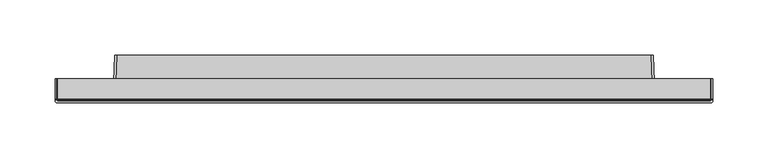
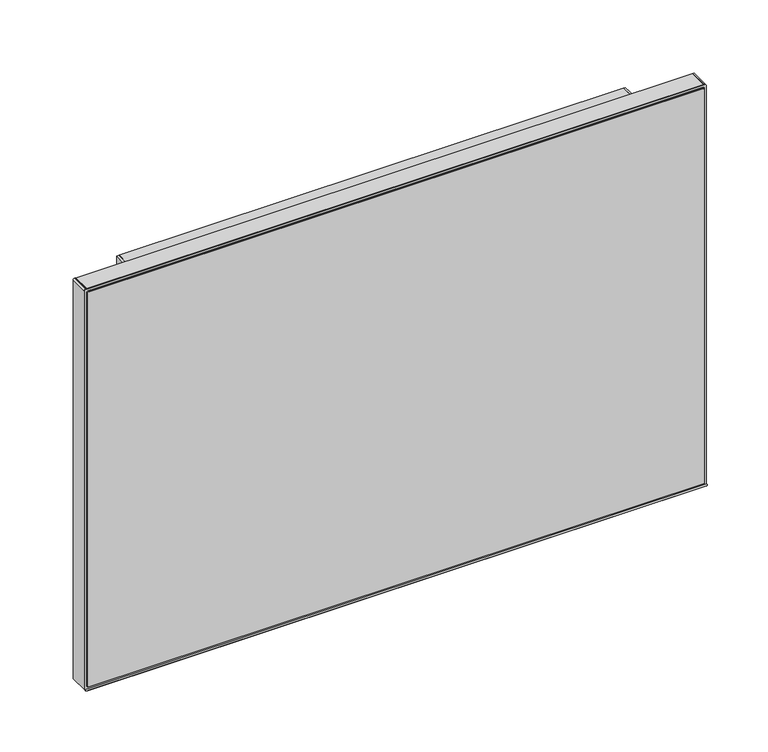
"""IFC4 building model written with IfcOpenShell, lengths in millimetres: furniture geometry."""

from ifc_helpers import new_model, si_unit, point, frame, frame_2d, origin, place, context, project, spatial, polyline, circle_curve, trimmed, segment, composite_curve, outline, extrude, source, transform, mapped, element, save


def furniture_baf85be2(model_context):
    return source(origin(), model_context, "Body", "SweptSolid", [
        extrude(outline(composite_curve([segment(polyline([(298.4500271, -19.2024), (298.4214717, -20.0180395)]), True, "CONTINUOUS"), segment(trimmed(circle_curve(frame_2d((296.9511112, -20.0180395)), 1.4703605), [point((298.4214717, -20.0180395))], [point((296.9511112, -21.4884))], False, "CARTESIAN"), True, "CONTINUOUS"), segment(polyline([(296.9511112, -21.4884), (-296.9511112, -21.4884)]), True, "CONTINUOUS"), segment(trimmed(circle_curve(frame_2d((-296.9511112, -20.0180395)), 1.4703605), [point((-296.9511112, -21.4884))], [point((-298.4214717, -20.0180395))], False, "CARTESIAN"), True, "CONTINUOUS"), segment(polyline([(-298.4214717, -20.0180395), (-298.4500271, -19.2024), (298.4500271, -19.2024)]), True, "CONTINUOUS")], self_intersect=False)), frame((0.0, 0.0, 965.2), z_axis=(0.0, 0.0, 1.0), x_axis=(1.0, 0.0, 0.0)), (0.0, 0.0, 1.0), 0.381),
        extrude(outline(polyline([(296.0370277, -18.1863993), (-296.0370277, -18.1863993), (-296.0370277, 0.0), (296.0370277, 0.0), (296.0370277, -18.1863993)])), frame((0.0, 0.0, 1368.8059932), z_axis=(0.0, 0.0, 1.0), x_axis=(1.0, 0.0, 0.0)), (0.0, 0.0, 1.0), 2.4130068),
        extrude(outline(composite_curve([segment(polyline([(965.2, -298.4500271), (965.2, -296.0370277), (1371.219, -296.0370277), (1371.219, -296.9269732)]), True, "CONTINUOUS"), segment(trimmed(circle_curve(frame_2d((1369.6959462, -296.9269732)), 1.5230538), [point((1371.219, -296.9269732))], [point((1369.6959462, -298.4500271))], False, "CARTESIAN"), True, "CONTINUOUS"), segment(polyline([(1369.6959462, -298.4500271), (965.2, -298.4500271)]), True, "CONTINUOUS")], self_intersect=False)), frame((0.0, -18.1863993, 0.0), z_axis=(0.0, 1.0, 0.0), x_axis=(0.0, 0.0, 1.0)), (0.0, 0.0, 1.0), 18.1863993),
        extrude(outline(composite_curve([segment(polyline([(965.2, 298.4500271), (1369.6959462, 298.4500271)]), True, "CONTINUOUS"), segment(trimmed(circle_curve(frame_2d((1369.6959462, 296.9269732)), 1.5230538), [point((1369.6959462, 298.4500271))], [point((1371.219, 296.9269732))], False, "CARTESIAN"), True, "CONTINUOUS"), segment(polyline([(1371.219, 296.9269732), (1371.219, 296.0370277), (965.2, 296.0370277), (965.2, 298.4500271)]), True, "CONTINUOUS")], self_intersect=False)), frame((0.0, -18.1863993, 0.0), z_axis=(0.0, 1.0, 0.0), x_axis=(0.0, 0.0, 1.0)), (0.0, 0.0, 1.0), 18.1863993),
        extrude(outline(composite_curve([segment(trimmed(circle_curve(frame_2d((-248.0872202, -2.4454407)), 5.3343178), [point((-248.0872202, -7.7797585))], [point((-243.7954857, -5.6133993))], True, "CARTESIAN"), True, "CONTINUOUS"), segment(polyline([(-243.7954857, -5.6133993), (243.7954857, -5.6133993)]), True, "CONTINUOUS"), segment(trimmed(circle_curve(frame_2d((248.0872202, -2.4454407)), 5.3343178), [point((243.7954857, -5.6133993))], [point((248.0872202, -7.7797585))], True, "CARTESIAN"), True, "CONTINUOUS"), segment(polyline([(248.0872202, -7.7797585), (-248.0872202, -7.7797585)]), True, "CONTINUOUS")], self_intersect=False)), frame((0.0, 0.0, 1290.3925745), z_axis=(0.0, 0.0, 1.0), x_axis=(1.0, 0.0, 0.0)), (0.0, 0.0, 1.0), 78.4134187),
        extrude(outline(composite_curve([segment(polyline([(-241.9124688, 21.4884), (241.9124688, 21.4884), (242.7561626, -2.6319134)]), True, "CONTINUOUS"), segment(trimmed(circle_curve(frame_2d((248.0872202, -2.4454407)), 5.3343178), [point((242.7561626, -2.6319134))], [point((248.0872202, -7.7797585))], True, "CARTESIAN"), True, "CONTINUOUS"), segment(polyline([(248.0872202, -7.7797585), (286.242925, -7.7797585), (286.6404196, -19.2024), (-286.6404196, -19.2024), (-286.242925, -7.7797585), (-248.0872202, -7.7797585)]), True, "CONTINUOUS"), segment(trimmed(circle_curve(frame_2d((-248.0872202, -2.4454407)), 5.3343178), [point((-248.0872202, -7.7797585))], [point((-242.7561626, -2.6319134))], True, "CARTESIAN"), True, "CONTINUOUS"), segment(polyline([(-242.7561626, -2.6319134), (-241.9124688, 21.4884)]), True, "CONTINUOUS")], self_intersect=False)), frame((0.0, 0.0, 974.7006414), z_axis=(0.0, 0.0, 1.0), x_axis=(1.0, 0.0, 0.0)), (0.0, 0.0, 1.0), 2.1314735),
        extrude(outline(composite_curve([segment(polyline([(241.9124688, 21.4884), (242.7561626, -2.6319134)]), True, "CONTINUOUS"), segment(trimmed(circle_curve(frame_2d((248.0872202, -2.4454407)), 5.3343178), [point((242.7561626, -2.6319134))], [point((248.0872202, -7.7797585))], True, "CARTESIAN"), True, "CONTINUOUS"), segment(polyline([(248.0872202, -7.7797585), (286.242925, -7.7797585), (286.6404196, -19.2024), (-286.6404196, -19.2024), (-286.242925, -7.7797585), (-248.0872202, -7.7797585)]), True, "CONTINUOUS"), segment(trimmed(circle_curve(frame_2d((-248.0872202, -2.4454407)), 5.3343178), [point((-248.0872202, -7.7797585))], [point((-242.7561626, -2.6319134))], True, "CARTESIAN"), True, "CONTINUOUS"), segment(polyline([(-242.7561626, -2.6319134), (-241.9124688, 21.4884), (241.9124688, 21.4884)]), True, "CONTINUOUS")], self_intersect=False)), frame((0.0, 0.0, 1360.2730475), z_axis=(0.0, 0.0, 1.0), x_axis=(1.0, 0.0, 0.0)), (0.0, 0.0, 1.0), 2.1307929),
        extrude(outline(composite_curve([segment(polyline([(-286.6404196, -19.2024), (-288.9250265, -19.2024), (-288.5275319, -7.819618)]), True, "CONTINUOUS"), segment(trimmed(circle_curve(frame_2d((-286.242925, -7.899398)), 2.2859994), [point((-288.5275319, -7.819618))], [point((-286.244677, -5.6133993))], False, "CARTESIAN"), True, "CONTINUOUS"), segment(polyline([(-286.244677, -5.6133993), (-248.0867062, -5.6133993)]), True, "CONTINUOUS"), segment(trimmed(circle_curve(frame_2d((-248.0867062, -2.5656117)), 3.0477876), [point((-248.0867062, -5.6133993))], [point((-245.0407752, -2.6719784))], True, "CARTESIAN"), True, "CONTINUOUS"), segment(polyline([(-245.0407752, -2.6719784), (-244.1970722, 21.4884), (-241.9124688, 21.4884), (-242.7561626, -2.6319134)]), True, "CONTINUOUS"), segment(trimmed(circle_curve(frame_2d((-248.0872202, -2.4454407)), 5.3343178), [point((-242.7561626, -2.6319134))], [point((-248.0872202, -7.7797585))], False, "CARTESIAN"), True, "CONTINUOUS"), segment(polyline([(-248.0872202, -7.7797585), (-286.242925, -7.7797585), (-286.6404196, -19.2024)]), True, "CONTINUOUS")], self_intersect=False)), frame((0.0, 0.0, 974.7006414), z_axis=(0.0, 0.0, 1.0), x_axis=(1.0, 0.0, 0.0)), (0.0, 0.0, 1.0), 387.703199),
        extrude(outline(composite_curve([segment(polyline([(286.6404196, -19.2024), (286.242925, -7.7797585), (248.0872202, -7.7797585)]), True, "CONTINUOUS"), segment(trimmed(circle_curve(frame_2d((248.0872202, -2.4454407)), 5.3343178), [point((248.0872202, -7.7797585))], [point((242.7561626, -2.6319134))], False, "CARTESIAN"), True, "CONTINUOUS"), segment(polyline([(242.7561626, -2.6319134), (241.9124688, 21.4884), (244.1970722, 21.4884), (245.0407752, -2.6719784)]), True, "CONTINUOUS"), segment(trimmed(circle_curve(frame_2d((248.0867062, -2.5656117)), 3.0477876), [point((245.0407752, -2.6719784))], [point((248.0867062, -5.6133993))], True, "CARTESIAN"), True, "CONTINUOUS"), segment(polyline([(248.0867062, -5.6133993), (286.244677, -5.6133993)]), True, "CONTINUOUS"), segment(trimmed(circle_curve(frame_2d((286.242925, -7.899398)), 2.2859994), [point((286.244677, -5.6133993))], [point((288.5275319, -7.819618))], False, "CARTESIAN"), True, "CONTINUOUS"), segment(polyline([(288.5275319, -7.819618), (288.9250265, -19.2024), (286.6404196, -19.2024)]), True, "CONTINUOUS")], self_intersect=False)), frame((0.0, 0.0, 974.7006414), z_axis=(0.0, 0.0, 1.0), x_axis=(1.0, 0.0, 0.0)), (0.0, 0.0, 1.0), 387.703199),
        extrude(outline(composite_curve([segment(polyline([(1369.1870019, 294.893964), (1369.1870019, -294.8940288)]), True, "CONTINUOUS"), segment(trimmed(circle_curve(frame_2d((1367.6630034, -294.8940288)), 1.5239985), [point((1369.1870019, -294.8940288))], [point((1367.6630034, -296.4180273))], False, "CARTESIAN"), True, "CONTINUOUS"), segment(polyline([(1367.6630034, -296.4180273), (968.7306002, -296.4180273)]), True, "CONTINUOUS"), segment(trimmed(circle_curve(frame_2d((968.7306002, -294.8940269)), 1.5240004), [point((968.7306002, -296.4180273))], [point((967.2065998, -294.8940269))], False, "CARTESIAN"), True, "CONTINUOUS"), segment(polyline([(967.2065998, -294.8940269), (967.2065998, 294.893964)]), True, "CONTINUOUS"), segment(trimmed(circle_curve(frame_2d((968.7305983, 294.893964)), 1.5239985), [point((967.2065998, 294.893964))], [point((968.7305983, 296.4179626))], False, "CARTESIAN"), True, "CONTINUOUS"), segment(polyline([(968.7305983, 296.4179626), (1367.6630034, 296.4179626)]), True, "CONTINUOUS"), segment(trimmed(circle_curve(frame_2d((1367.6630034, 294.893964)), 1.5239985), [point((1367.6630034, 296.4179626))], [point((1369.1870019, 294.893964))], False, "CARTESIAN"), True, "CONTINUOUS")], self_intersect=False), holes=[polyline([(1362.4038404, -288.9250265), (1362.4038404, 288.9249606), (974.7006414, 288.9249606), (974.7006414, -288.9250265), (1362.4038404, -288.9250265)])]), frame((0.0, -19.2024, 0.0), z_axis=(0.0, 1.0, 0.0), x_axis=(0.0, 0.0, 1.0)), (0.0, 0.0, 1.0), 1.0160007),
        extrude(outline(composite_curve([segment(polyline([(967.5875998, -294.8940273), (967.5875998, 296.0370277), (1367.6629307, 296.0370277)]), True, "CONTINUOUS"), segment(trimmed(circle_curve(frame_2d((1367.6629307, 294.8939652)), 1.1430625), [point((1367.6629307, 296.0370277))], [point((1368.8059932, 294.8939652))], False, "CARTESIAN"), True, "CONTINUOUS"), segment(polyline([(1368.8059932, 294.8939652), (1368.8059932, -294.8940378)]), True, "CONTINUOUS"), segment(trimmed(circle_curve(frame_2d((1367.6630034, -294.8940378)), 1.1429898), [point((1368.8059932, -294.8940378))], [point((1367.6630034, -296.0370277))], False, "CARTESIAN"), True, "CONTINUOUS"), segment(polyline([(1367.6630034, -296.0370277), (968.7306002, -296.0370277)]), True, "CONTINUOUS"), segment(trimmed(circle_curve(frame_2d((968.7306002, -294.8940273)), 1.1430003), [point((968.7306002, -296.0370277))], [point((967.5875998, -294.8940273))], False, "CARTESIAN"), True, "CONTINUOUS")], self_intersect=False)), frame((0.0, -20.0180109, 0.0), z_axis=(0.0, 1.0, 0.0), x_axis=(0.0, 0.0, 1.0)), (0.0, 0.0, 1.0), 0.8156109),
        extrude(outline(composite_curve([segment(trimmed(circle_curve(frame_2d((1369.6959462, -296.9269732)), 1.5230538), [point((1371.219, -296.9269732))], [point((1369.6959462, -298.4500271))], False, "CARTESIAN"), True, "CONTINUOUS"), segment(polyline([(1369.6959462, -298.4500271), (965.581, -298.4500271), (965.581, 298.4500271), (1369.6959462, 298.4500271)]), True, "CONTINUOUS"), segment(trimmed(circle_curve(frame_2d((1369.6959462, 296.9269732)), 1.5230538), [point((1369.6959462, 298.4500271))], [point((1371.219, 296.9269732))], False, "CARTESIAN"), True, "CONTINUOUS"), segment(polyline([(1371.219, 296.9269732), (1371.219, -296.9269732)]), True, "CONTINUOUS")], self_intersect=False), holes=[composite_curve([segment(trimmed(circle_curve(frame_2d((968.7305983, 294.893964)), 1.5239985), [point((968.7305983, 296.4179626))], [point((967.2065998, 294.893964))], True, "CARTESIAN"), True, "CONTINUOUS"), segment(polyline([(967.2065998, 294.893964), (967.2065998, -294.8940269)]), True, "CONTINUOUS"), segment(trimmed(circle_curve(frame_2d((968.7306002, -294.8940269)), 1.5240004), [point((967.2065998, -294.8940269))], [point((968.7306002, -296.4180273))], True, "CARTESIAN"), True, "CONTINUOUS"), segment(polyline([(968.7306002, -296.4180273), (1367.6630034, -296.4180273)]), True, "CONTINUOUS"), segment(trimmed(circle_curve(frame_2d((1367.6630034, -294.8940288)), 1.5239985), [point((1367.6630034, -296.4180273))], [point((1369.1870019, -294.8940288))], True, "CARTESIAN"), True, "CONTINUOUS"), segment(polyline([(1369.1870019, -294.8940288), (1369.1870019, 294.893964)]), True, "CONTINUOUS"), segment(trimmed(circle_curve(frame_2d((1367.6630034, 294.893964)), 1.5239985), [point((1369.1870019, 294.893964))], [point((1367.6630034, 296.4179626))], True, "CARTESIAN"), True, "CONTINUOUS"), segment(polyline([(1367.6630034, 296.4179626), (968.7305983, 296.4179626)]), True, "CONTINUOUS")], self_intersect=False)]), frame((0.0, -19.2024, 0.0), z_axis=(0.0, 1.0, 0.0), x_axis=(0.0, 0.0, 1.0)), (0.0, 0.0, 1.0), 1.0160007),
    ])


if __name__ == "__main__":
    model = new_model("IFC4")
    model_context = context("Model", 3, world=origin())
    ifc_project = project(units=[si_unit("LENGTHUNIT", "METRE", prefix="MILLI")], contexts=[model_context])
    site = spatial("IfcSite", under=ifc_project)
    building = spatial("IfcBuilding", under=site)
    placement = place(None, origin())
    furniture_shape = furniture_baf85be2(model_context)
    element("IfcFurniture", 1, at=placement, inside=building, context=model_context, shape_type="MappedRepresentation", body=[
        mapped(furniture_shape, transform((0.0, 0.0, 0.0), x_axis=(1.0, 0.0, 0.0), y_axis=(0.0, 1.0, 0.0), z_axis=(0.0, 0.0, 1.0))),
    ])
    save(model, "model.ifc")
